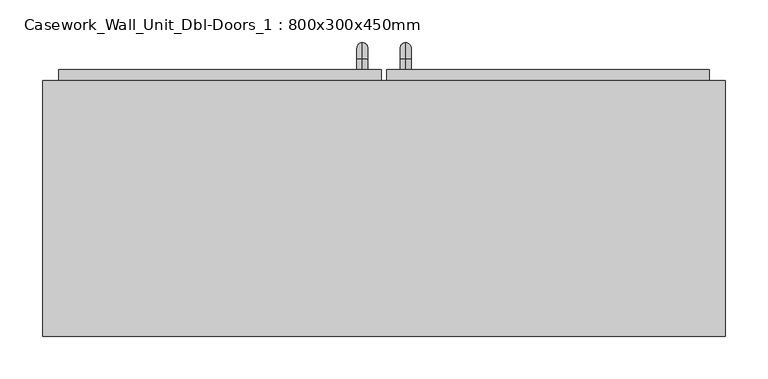
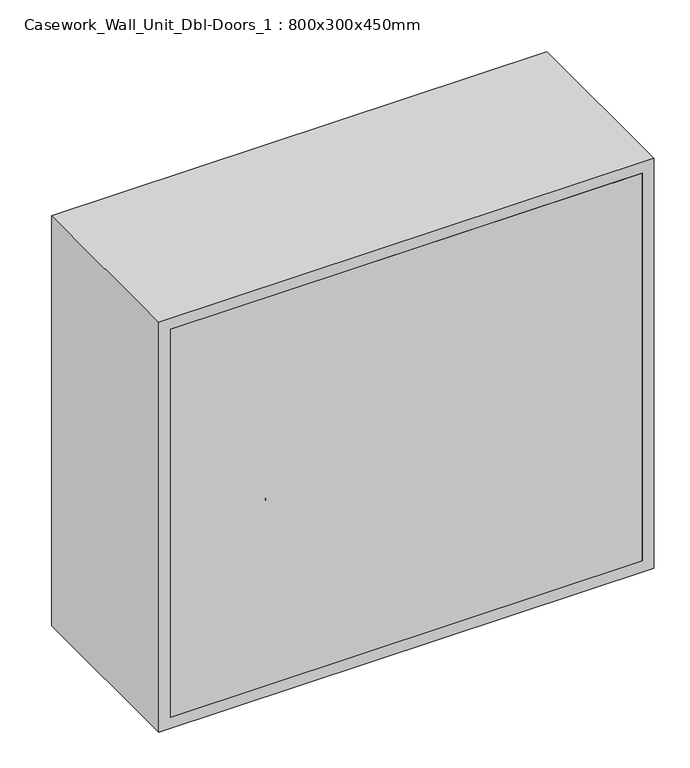
"""IFC4 building model written with IfcOpenShell, lengths in millimetres: furniture geometry, Casework_Wall_Unit_Dbl-Doors_1 : 800x300x450mm."""

from ifc_helpers import new_model, si_unit, point, frame, origin, place, context, project, spatial, polyline, circle_curve, ellipse_curve, trimmed, outline, extrude, source, transform, mapped, element, save
from ifc_brep_helpers import plane_surface, cylinder_surface, revolved_surface, advanced_brep


def casework_wall_unit_dbl_doors_1_800x300x450mm_945c2bd4(model_context):
    return source(origin(), model_context, "Body", "SolidModel", [
        extrude(outline(polyline([(32.9461628, 412.7), (410.7211628, 412.7), (410.7211628, 380.95), (32.9461628, 380.95), (32.9461628, 412.7)])), frame((0.0, 0.0, 1319.05), z_axis=(0.0, 0.0, 1.0), x_axis=(1.0, 0.0, 0.0)), (0.0, 0.0, 1.0), 661.9),
        extrude(outline(polyline([(-351.1788372, 412.7), (26.5961628, 412.7), (26.5961628, 380.95), (-351.1788372, 380.95), (-351.1788372, 412.7)])), frame((0.0, 0.0, 1319.05), z_axis=(0.0, 0.0, 1.0), x_axis=(1.0, 0.0, 0.0)), (0.0, 0.0, 1.0), 661.9),
        extrude(outline(polyline([(410.7211628, 100.0), (-351.1788372, 100.0), (-351.1788372, 119.05), (410.7211628, 119.05), (410.7211628, 100.0)])), frame((0.0, 0.0, 1319.05), z_axis=(0.0, 0.0, 1.0), x_axis=(1.0, 0.0, 0.0)), (0.0, 0.0, 1.0), 661.9),
        extrude(outline(polyline([(2000.0, -370.2288372), (1300.0, -370.2288372), (1300.0, 429.7711628), (2000.0, 429.7711628), (2000.0, -370.2288372)]), holes=[polyline([(1980.95, -351.1788372), (1980.95, 410.7211628), (1319.05, 410.7211628), (1319.05, -351.1788372), (1980.95, -351.1788372)])]), frame((0.0, 100.0, 0.0), z_axis=(0.0, 1.0, 0.0), x_axis=(0.0, 0.0, 1.0)), (0.0, 0.0, 1.0), 300.0),
        advanced_brep(
        [(55.1711628, 412.7, 1446.05), (55.1711628, 412.7, 1458.75), (55.1711628, 425.4, 1446.05), (55.1711628, 425.4, 1458.75), (55.1711628, 444.45, 1439.7), (55.1711628, 431.75, 1439.7), (55.1711628, 431.75, 1363.5), (55.1711628, 444.45, 1363.5), (55.1711628, 425.4, 1344.45), (55.1711628, 425.4, 1357.15), (55.1711628, 412.7, 1357.15), (55.1711628, 412.7, 1344.45)],
        [
            (0, 1, circle_curve(frame((55.1711628, 412.7, 1452.4), z_axis=(0.0, -1.0, 0.0), x_axis=(0.0, 0.0, -1.0)), 6.35)),
            (1, 0, circle_curve(frame((55.1711628, 412.7, 1452.4), z_axis=(0.0, -1.0, 0.0), x_axis=(0.0, 0.0, -1.0)), 6.35)),
            (0, 2),
            (2, 3, circle_curve(frame((55.1711628, 425.4, 1452.4), z_axis=(0.0, -1.0, 0.0), x_axis=(0.0, 0.0, -1.0)), 6.35)),
            (3, 1),
            (3, 2, circle_curve(frame((55.1711628, 425.4, 1452.4), z_axis=(0.0, -1.0, 0.0), x_axis=(0.0, 0.0, -1.0)), 6.35)),
            (4, 3, circle_curve(frame((55.1711628, 425.4, 1439.7), z_axis=(1.0, 0.0, 0.0), x_axis=(0.0, 0.0, 1.0)), 19.05)),
            (2, 5, circle_curve(frame((55.1711628, 425.4, 1439.7), z_axis=(-1.0, 0.0, 0.0), x_axis=(0.0, 0.0, 1.0)), 6.35)),
            (5, 4, circle_curve(frame((55.1711628, 438.1, 1439.7), z_axis=(0.0, 0.0, 1.0), x_axis=(0.0, -1.0, 0.0)), 6.35)),
            (4, 5, circle_curve(frame((55.1711628, 438.1, 1439.7), z_axis=(0.0, 0.0, 1.0), x_axis=(0.0, -1.0, 0.0)), 6.35)),
            (5, 6),
            (6, 7, circle_curve(frame((55.1711628, 438.1, 1363.5), z_axis=(0.0, 0.0, 1.0), x_axis=(0.0, -1.0, 0.0)), 6.35)),
            (7, 4),
            (7, 6, circle_curve(frame((55.1711628, 438.1, 1363.5), z_axis=(0.0, 0.0, 1.0), x_axis=(0.0, -1.0, 0.0)), 6.35)),
            (8, 7, circle_curve(frame((55.1711628, 425.4, 1363.5), z_axis=(1.0, 0.0, 0.0), x_axis=(0.0, 1.0, 0.0)), 19.05)),
            (6, 9, circle_curve(frame((55.1711628, 425.4, 1363.5), z_axis=(-1.0, 0.0, 0.0), x_axis=(0.0, 1.0, 0.0)), 6.35)),
            (9, 8, circle_curve(frame((55.1711628, 425.4, 1350.8), z_axis=(0.0, 1.0, 0.0), x_axis=(0.0, 0.0, 1.0)), 6.35)),
            (8, 9, circle_curve(frame((55.1711628, 425.4, 1350.8), z_axis=(0.0, 1.0, 0.0), x_axis=(0.0, 0.0, 1.0)), 6.35)),
            (10, 11, circle_curve(frame((55.1711628, 412.7, 1350.8), z_axis=(0.0, -1.0, 0.0), x_axis=(0.0, 0.0, 1.0)), 6.35)),
            (11, 10, circle_curve(frame((55.1711628, 412.7, 1350.8), z_axis=(0.0, -1.0, 0.0), x_axis=(0.0, 0.0, 1.0)), 6.35)),
            (9, 10),
            (11, 8),
        ],
        [
            plane_surface(frame((48.8211628, 412.7, 1452.4), z_axis=(0.0, -1.0, 0.0), x_axis=(0.0, 0.0, 1.0))),
            cylinder_surface(frame((55.1711628, 412.7, 1452.4), z_axis=(0.0, -1.0, 0.0), x_axis=(0.0, 0.0, -1.0)), 6.35),
            revolved_surface(trimmed(ellipse_curve(frame((55.1711628, 425.4, 1452.4), z_axis=(0.0, -1.0, 0.0), x_axis=(0.0, 0.0, -1.0)), 6.35, 6.35), [point((55.1711628, 425.4, 1446.05))], [point((55.1711628, 425.4, 1458.75))], True, "CARTESIAN"), (55.1711628, 425.4, 1439.7), (-1.0, 0.0, 0.0)),
            revolved_surface(trimmed(ellipse_curve(frame((55.1711628, 425.4, 1452.4), z_axis=(0.0, -1.0, 0.0), x_axis=(0.0, 0.0, -1.0)), 6.35, 6.35), [point((55.1711628, 425.4, 1458.75))], [point((55.1711628, 425.4, 1446.05))], True, "CARTESIAN"), (55.1711628, 425.4, 1439.7), (-1.0, 0.0, 0.0)),
            cylinder_surface(frame((55.1711628, 438.1, 1439.7), z_axis=(0.0, 0.0, 1.0), x_axis=(0.0, -1.0, 0.0)), 6.35),
            revolved_surface(trimmed(ellipse_curve(frame((55.1711628, 438.1, 1363.5), z_axis=(0.0, 0.0, 1.0), x_axis=(0.0, -1.0, 0.0)), 6.35, 6.35), [point((55.1711628, 431.75, 1363.5))], [point((55.1711628, 444.45, 1363.5))], True, "CARTESIAN"), (55.1711628, 425.4, 1363.5), (-1.0, 0.0, 0.0)),
            revolved_surface(trimmed(ellipse_curve(frame((55.1711628, 438.1, 1363.5), z_axis=(0.0, 0.0, 1.0), x_axis=(0.0, -1.0, 0.0)), 6.35, 6.35), [point((55.1711628, 444.45, 1363.5))], [point((55.1711628, 431.75, 1363.5))], True, "CARTESIAN"), (55.1711628, 425.4, 1363.5), (-1.0, 0.0, 0.0)),
            plane_surface(frame((48.8211628, 412.7, 1350.8), z_axis=(0.0, -1.0, 0.0), x_axis=(0.0, 0.0, -1.0))),
            cylinder_surface(frame((55.1711628, 425.4, 1350.8), z_axis=(0.0, 1.0, 0.0), x_axis=(0.0, 0.0, 1.0)), 6.35),
        ],
        [
            (0, [[1, 2]]),
            (1, [[-1, 3, 4, 5]]),
            (1, [[-2, -5, 6, -3]]),
            (2, [[7, -4, 8, 9]]),
            (3, [[-8, -6, -7, 10]]),
            (4, [[-9, 11, 12, 13]]),
            (4, [[-10, -13, 14, -11]]),
            (5, [[15, -12, 16, 17]]),
            (6, [[-16, -14, -15, 18]]),
            (7, [[19, 20]]),
            (8, [[-17, 21, -20, 22]]),
            (8, [[-18, -22, -19, -21]]),
        ],
    ),
        advanced_brep(
        [(4.3711628, 412.7, 1446.05), (4.3711628, 412.7, 1458.75), (4.3711628, 425.4, 1446.05), (4.3711628, 425.4, 1458.75), (4.3711628, 444.45, 1439.7), (4.3711628, 431.75, 1439.7), (4.3711628, 431.75, 1363.5), (4.3711628, 444.45, 1363.5), (4.3711628, 425.4, 1344.45), (4.3711628, 425.4, 1357.15), (4.3711628, 412.7, 1357.15), (4.3711628, 412.7, 1344.45)],
        [
            (0, 1, circle_curve(frame((4.3711628, 412.7, 1452.4), z_axis=(0.0, -1.0, 0.0), x_axis=(0.0, 0.0, 1.0)), 6.35)),
            (1, 0, circle_curve(frame((4.3711628, 412.7, 1452.4), z_axis=(0.0, -1.0, 0.0), x_axis=(0.0, 0.0, 1.0)), 6.35)),
            (0, 2),
            (2, 3, circle_curve(frame((4.3711628, 425.4, 1452.4), z_axis=(0.0, -1.0, 0.0), x_axis=(0.0, 0.0, 1.0)), 6.35)),
            (3, 1),
            (3, 2, circle_curve(frame((4.3711628, 425.4, 1452.4), z_axis=(0.0, -1.0, 0.0), x_axis=(0.0, 0.0, 1.0)), 6.35)),
            (4, 3, circle_curve(frame((4.3711628, 425.4, 1439.7), z_axis=(1.0, 0.0, 0.0), x_axis=(0.0, 0.0, 1.0)), 19.05)),
            (2, 5, circle_curve(frame((4.3711628, 425.4, 1439.7), z_axis=(-1.0, 0.0, 0.0), x_axis=(0.0, 0.0, 1.0)), 6.35)),
            (5, 4, circle_curve(frame((4.3711628, 438.1, 1439.7), z_axis=(0.0, 0.0, 1.0), x_axis=(0.0, 1.0, 0.0)), 6.35)),
            (4, 5, circle_curve(frame((4.3711628, 438.1, 1439.7), z_axis=(0.0, 0.0, 1.0), x_axis=(0.0, 1.0, 0.0)), 6.35)),
            (5, 6),
            (6, 7, circle_curve(frame((4.3711628, 438.1, 1363.5), z_axis=(0.0, 0.0, 1.0), x_axis=(0.0, 1.0, 0.0)), 6.35)),
            (7, 4),
            (7, 6, circle_curve(frame((4.3711628, 438.1, 1363.5), z_axis=(0.0, 0.0, 1.0), x_axis=(0.0, 1.0, 0.0)), 6.35)),
            (8, 7, circle_curve(frame((4.3711628, 425.4, 1363.5), z_axis=(1.0, 0.0, 0.0), x_axis=(0.0, 1.0, 0.0)), 19.05)),
            (6, 9, circle_curve(frame((4.3711628, 425.4, 1363.5), z_axis=(-1.0, 0.0, 0.0), x_axis=(0.0, 1.0, 0.0)), 6.35)),
            (9, 8, circle_curve(frame((4.3711628, 425.4, 1350.8), z_axis=(0.0, 1.0, 0.0), x_axis=(0.0, 0.0, -1.0)), 6.35)),
            (8, 9, circle_curve(frame((4.3711628, 425.4, 1350.8), z_axis=(0.0, 1.0, 0.0), x_axis=(0.0, 0.0, -1.0)), 6.35)),
            (10, 11, circle_curve(frame((4.3711628, 412.7, 1350.8), z_axis=(0.0, -1.0, 0.0), x_axis=(0.0, 0.0, -1.0)), 6.35)),
            (11, 10, circle_curve(frame((4.3711628, 412.7, 1350.8), z_axis=(0.0, -1.0, 0.0), x_axis=(0.0, 0.0, -1.0)), 6.35)),
            (9, 10),
            (11, 8),
        ],
        [
            plane_surface(frame((-1.9788372, 412.7, 1452.4), z_axis=(0.0, -1.0, 0.0), x_axis=(0.0, 0.0, 1.0))),
            cylinder_surface(frame((4.3711628, 412.7, 1452.4), z_axis=(0.0, -1.0, 0.0), x_axis=(0.0, 0.0, 1.0)), 6.35),
            revolved_surface(trimmed(ellipse_curve(frame((4.3711628, 425.4, 1452.4), z_axis=(0.0, -1.0, 0.0), x_axis=(0.0, 0.0, 1.0)), 6.35, 6.35), [point((4.3711628, 425.4, 1446.05))], [point((4.3711628, 425.4, 1458.75))], True, "CARTESIAN"), (4.3711628, 425.4, 1439.7), (-1.0, 0.0, 0.0)),
            revolved_surface(trimmed(ellipse_curve(frame((4.3711628, 425.4, 1452.4), z_axis=(0.0, -1.0, 0.0), x_axis=(0.0, 0.0, 1.0)), 6.35, 6.35), [point((4.3711628, 425.4, 1458.75))], [point((4.3711628, 425.4, 1446.05))], True, "CARTESIAN"), (4.3711628, 425.4, 1439.7), (-1.0, 0.0, 0.0)),
            cylinder_surface(frame((4.3711628, 438.1, 1439.7), z_axis=(0.0, 0.0, 1.0), x_axis=(0.0, 1.0, 0.0)), 6.35),
            revolved_surface(trimmed(ellipse_curve(frame((4.3711628, 438.1, 1363.5), z_axis=(0.0, 0.0, 1.0), x_axis=(0.0, 1.0, 0.0)), 6.35, 6.35), [point((4.3711628, 431.75, 1363.5))], [point((4.3711628, 444.45, 1363.5))], True, "CARTESIAN"), (4.3711628, 425.4, 1363.5), (-1.0, 0.0, 0.0)),
            revolved_surface(trimmed(ellipse_curve(frame((4.3711628, 438.1, 1363.5), z_axis=(0.0, 0.0, 1.0), x_axis=(0.0, 1.0, 0.0)), 6.35, 6.35), [point((4.3711628, 444.45, 1363.5))], [point((4.3711628, 431.75, 1363.5))], True, "CARTESIAN"), (4.3711628, 425.4, 1363.5), (-1.0, 0.0, 0.0)),
            plane_surface(frame((-1.9788372, 412.7, 1350.8), z_axis=(0.0, -1.0, 0.0), x_axis=(0.0, 0.0, -1.0))),
            cylinder_surface(frame((4.3711628, 425.4, 1350.8), z_axis=(0.0, 1.0, 0.0), x_axis=(0.0, 0.0, -1.0)), 6.35),
        ],
        [
            (0, [[1, 2]]),
            (1, [[-1, 3, 4, 5]]),
            (1, [[-2, -5, 6, -3]]),
            (2, [[7, -4, 8, 9]]),
            (3, [[-8, -6, -7, 10]]),
            (4, [[-9, 11, 12, 13]]),
            (4, [[-10, -13, 14, -11]]),
            (5, [[15, -12, 16, 17]]),
            (6, [[-16, -14, -15, 18]]),
            (7, [[19, 20]]),
            (8, [[-17, 21, -20, 22]]),
            (8, [[-18, -22, -19, -21]]),
        ],
    ),
    ])


if __name__ == "__main__":
    model = new_model("IFC4")
    model_context = context("Model", 3, world=origin())
    ifc_project = project(units=[si_unit("LENGTHUNIT", "METRE", prefix="MILLI")], contexts=[model_context])
    site = spatial("IfcSite", under=ifc_project)
    building = spatial("IfcBuilding", under=site)
    placement = place(None, origin())
    casework_wall_unit_dbl_doors_1_800x300x450mm_shape = casework_wall_unit_dbl_doors_1_800x300x450mm_945c2bd4(model_context)
    element("IfcFurniture", 1, ObjectType="Casework_Wall_Unit_Dbl-Doors_1 : 800x300x450mm", at=placement, inside=building, context=model_context, shape_type="MappedRepresentation", body=[
        mapped(casework_wall_unit_dbl_doors_1_800x300x450mm_shape, transform((0.0, 0.0, 0.0), x_axis=(1.0, 0.0, 0.0), y_axis=(0.0, 1.0, 0.0), z_axis=(0.0, 0.0, 1.0))),
    ])
    save(model, "model.ifc")
